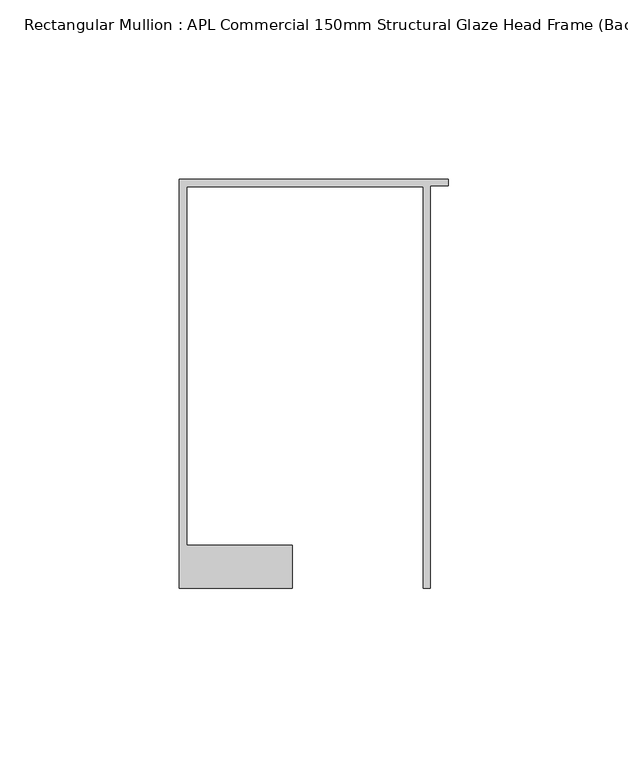
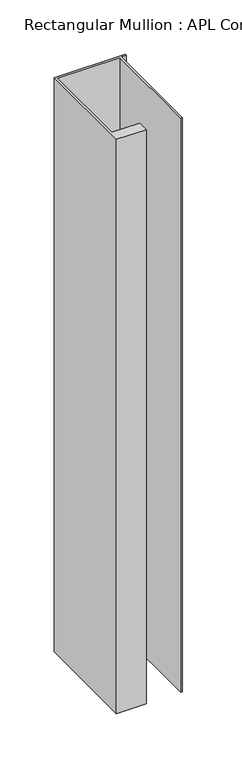
"""IFC4 building model written with IfcOpenShell, lengths in millimetres: member geometry, Rectangular Mullion : APL Commercial 150mm Structural Glaze Head Frame (Back)."""

import ifcopenshell
import ifcopenshell.guid

model = None  # the IFC model being written
_history = None  # IfcOwnerHistory: only IFC2X3 demands one
_inside = {}  # id of a spatial element -> (the spatial element, [elements in it])
_under = {}  # id of a project, library or spatial element -> (it, [spatial elements below it])
_declared = {}  # id of a project -> (the project, [libraries it declares])
_typed = {}  # id of a type object -> (the type object, [elements of that type])
_made_of = {}  # id of a material, layer set ... -> (it, [elements and type objects made of it])


def new_model(schema):
    """Start an empty IFC model of exactly this schema.

    Asked for "IFC4X3", IfcOpenShell would pick the latest addendum, in which some entities
    have other attributes; the version numbers below select the first issue.
    IFC2X3 requires an IfcOwnerHistory on every rooted entity: one is made here for all.
    """
    global model, _history
    if schema == "IFC4X3":
        model = ifcopenshell.file(schema_version=(4, 3, 0, 0))
    else:
        model = ifcopenshell.file(schema=schema)
    _inside.clear()
    _under.clear()
    _declared.clear()
    _typed.clear()
    _made_of.clear()
    _history = None
    if model.schema == "IFC2X3":
        org = make("IfcOrganization", Name="unknown")
        user = make(
            "IfcPersonAndOrganization",
            ThePerson=make("IfcPerson", FamilyName="unknown"),
            TheOrganization=org,
        )
        app = make(
            "IfcApplication",
            ApplicationDeveloper=org,
            Version="unknown",
            ApplicationFullName="unknown",
            ApplicationIdentifier="unknown",
        )
        _history = make(
            "IfcOwnerHistory",
            OwningUser=user,
            OwningApplication=app,
            ChangeAction="ADDED",
            CreationDate=0,
        )
    return model


def make(cls, **values):
    """One entity of the class cls with the attributes given. An attribute that is None is left unset."""
    return model.create_entity(
        cls, **{name: value for name, value in values.items() if value is not None}
    )


def rooted(cls, **values):
    """An entity with a GlobalId (a new one), such as an element, a storey or a relation."""
    return make(cls, GlobalId=ifcopenshell.guid.new(), OwnerHistory=_history, **values)


def si_unit(unit_type, name, prefix=None):
    """IfcSIUnit, for example si_unit("LENGTHUNIT", "METRE", prefix="MILLI")."""
    return make("IfcSIUnit", UnitType=unit_type, Prefix=prefix, Name=name)


def assignment(units):
    """IfcUnitAssignment: the units of a project."""
    return None if units is None else make("IfcUnitAssignment", Units=units)


def point(xyz):
    """IfcCartesianPoint."""
    return None if xyz is None else make("IfcCartesianPoint", Coordinates=xyz)


def direction(xyz):
    """IfcDirection."""
    return None if xyz is None else make("IfcDirection", DirectionRatios=xyz)


def frame(location, z_axis=None, x_axis=None):
    """IfcAxis2Placement3D, a coordinate frame: its origin and axes. An axis left out is left unset."""
    return make(
        "IfcAxis2Placement3D",
        Location=point(location),
        Axis=direction(z_axis),
        RefDirection=direction(x_axis),
    )


def origin():
    """The frame at (0, 0, 0) with its axes left unset."""
    return frame((0.0, 0.0, 0.0))


def place(relative_to, where):
    """IfcLocalPlacement: puts the frame where relative to a parent placement (None: the world)."""
    return make(
        "IfcLocalPlacement", PlacementRelTo=relative_to, RelativePlacement=where
    )


def context(
    kind, dimensions, precision=None, world=None, true_north=None, identifier=None
):
    """IfcGeometricRepresentationContext, for example the 3D "Model" context."""
    return make(
        "IfcGeometricRepresentationContext",
        ContextIdentifier=identifier,
        ContextType=kind,
        CoordinateSpaceDimension=dimensions,
        Precision=precision,
        WorldCoordinateSystem=world,
        TrueNorth=true_north,
    )


def project(units=None, contexts=None):
    """IfcProject with its units and contexts."""
    return rooted(
        "IfcProject",
        Name="project",
        RepresentationContexts=contexts,
        UnitsInContext=assignment(units),
    )


def spatial(cls, under=None, at=None, **own):
    """A site, building, storey or space (cls), placed at a placement, below another one or the project."""
    s = rooted(cls, ObjectPlacement=at, **own)
    if under is not None:
        _under.setdefault(under.id(), (under, []))[1].append(s)
    return s


def polyline(points):
    """IfcPolyline through the points."""
    return make("IfcPolyline", Points=[point(p) for p in points])


def outline(outer, holes=None, kind="AREA"):
    """IfcArbitraryClosedProfileDef: a profile drawn as a closed curve; with holes, ...WithVoids."""
    if holes is None:
        return make("IfcArbitraryClosedProfileDef", ProfileType=kind, OuterCurve=outer)
    return make(
        "IfcArbitraryProfileDefWithVoids",
        ProfileType=kind,
        OuterCurve=outer,
        InnerCurves=holes,
    )


def extrude(swept, where, along, depth):
    """IfcExtrudedAreaSolid: the profile swept, set in the frame where, extruded along a direction by depth."""
    return make(
        "IfcExtrudedAreaSolid",
        SweptArea=swept,
        Position=where,
        ExtrudedDirection=direction(along),
        Depth=depth,
    )


def shape(context_of_items, identifier, shape_type, items):
    """IfcShapeRepresentation: the items that make up one representation, for example the "Body"."""
    return make(
        "IfcShapeRepresentation",
        ContextOfItems=context_of_items,
        RepresentationIdentifier=identifier,
        RepresentationType=shape_type,
        Items=items,
    )


def source(mapping_origin, context_of_items, identifier, shape_type, items):
    """IfcRepresentationMap: a shape defined once, which mapped items show again and again."""
    return make(
        "IfcRepresentationMap",
        MappingOrigin=mapping_origin,
        MappedRepresentation=shape(context_of_items, identifier, shape_type, items),
    )


def transform(
    local_origin,
    x_axis=None,
    y_axis=None,
    z_axis=None,
    scale=None,
    scale2=None,
    scale3=None,
    uniform=True,
):
    """IfcCartesianTransformationOperator3D, or its non-uniform kind. x_axis, y_axis, z_axis: its Axis1, 2, 3."""
    if uniform:
        return make(
            "IfcCartesianTransformationOperator3D",
            Axis1=direction(x_axis),
            Axis2=direction(y_axis),
            LocalOrigin=point(local_origin),
            Scale=scale,
            Axis3=direction(z_axis),
        )
    return make(
        "IfcCartesianTransformationOperator3DnonUniform",
        Axis1=direction(x_axis),
        Axis2=direction(y_axis),
        LocalOrigin=point(local_origin),
        Scale=scale,
        Axis3=direction(z_axis),
        Scale2=scale2,
        Scale3=scale3,
    )


def mapped(mapping_source, mapping_target):
    """IfcMappedItem: shows the shape of a source again, moved by a transform."""
    return make(
        "IfcMappedItem", MappingSource=mapping_source, MappingTarget=mapping_target
    )


def made_of(thing, what):
    """Note that an element or type object is made of a material, layer set ...; save() writes the relation."""
    if what is not None:
        _made_of.setdefault(what.id(), (what, []))[1].append(thing)
    return thing


def element(
    cls,
    number,
    at=None,
    inside=None,
    cuts=None,
    type_object=None,
    material=None,
    context=None,
    identifier="Body",
    shape_type=None,
    held_by="IfcProductDefinitionShape",
    body=None,
    shapes=None,
    **own,
):
    """One element of the class cls, such as IfcWall. Its Tag is "e" and its number.

    at: its placement. inside: the storey or other place that contains it. cuts: it is an
    opening in that element (IfcRelVoidsElement). A single representation is given by context,
    identifier, shape_type and body (its items); several are given by shapes. held_by: the class
    of the entity that holds the representations. save() writes the other relations.
    """
    e = rooted(cls, Tag="e%d" % number, ObjectPlacement=at, **own)
    if body is not None:
        shapes = [shape(context, identifier, shape_type, body)]
    if shapes is not None:
        e.Representation = make(held_by, Representations=shapes)
    if inside is not None:
        _inside.setdefault(inside.id(), (inside, []))[1].append(e)
    if cuts is not None:
        rooted(
            "IfcRelVoidsElement", RelatingBuildingElement=cuts, RelatedOpeningElement=e
        )
    if type_object is not None:
        _typed.setdefault(type_object.id(), (type_object, []))[1].append(e)
    return made_of(e, material)


def aggregate(whole, parts):
    """IfcRelAggregates: a whole, such as a stair, and the parts it consists of."""
    return rooted("IfcRelAggregates", RelatingObject=whole, RelatedObjects=parts)


def save(model, path):
    """Write the relations noted so far, then the file.

    IfcRelAggregates (storeys below a building ...), IfcRelContainedInSpatialStructure (elements
    in a storey), IfcRelDefinesByType, IfcRelAssociatesMaterial and IfcRelDeclares: one each for
    every whole, place, type object, material and project.
    """
    for whole, parts in _under.values():
        aggregate(whole, parts)
    for where, things in _inside.values():
        rooted(
            "IfcRelContainedInSpatialStructure",
            RelatedElements=things,
            RelatingStructure=where,
        )
    for kind, things in _typed.values():
        rooted("IfcRelDefinesByType", RelatedObjects=things, RelatingType=kind)
    for what, things in _made_of.values():
        rooted("IfcRelAssociatesMaterial", RelatedObjects=things, RelatingMaterial=what)
    for by, libraries in _declared.values():
        rooted("IfcRelDeclares", RelatingContext=by, RelatedDefinitions=libraries)
    model.write(path)


def rectangular_mullion_apl_commercial_150mm_structural_glaze_a8df5ee2(model_context):
    return source(origin(), model_context, "Body", "SweptSolid", [
        extrude(outline(polyline([(-75.0, 128.9993063), (0.0, 128.9993063), (0.0, 127.1993063), (-5.0, 127.1993063), (-5.0, 14.9998342), (-7.0, 14.9998342), (-7.0, 126.9993063), (-73.0, 126.9993063), (-73.0, 26.9997514), (-43.5000151, 26.9997514), (-43.5000151, 14.9998342), (-75.0, 14.9998342), (-75.0, 128.9993063)])), frame((0.0, 0.0, -644.0249631), z_axis=(0.0, 0.0, 1.0), x_axis=(1.0, 0.0, 0.0)), (0.0, 0.0, 1.0), 644.0249631),
    ])


if __name__ == "__main__":
    model = new_model("IFC4")
    model_context = context("Model", 3, world=origin())
    ifc_project = project(units=[si_unit("LENGTHUNIT", "METRE", prefix="MILLI")], contexts=[model_context])
    site = spatial("IfcSite", under=ifc_project)
    building = spatial("IfcBuilding", under=site)
    placement = place(None, origin())
    rectangular_mullion_apl_commercial_150mm_structural_glaze_shape = rectangular_mullion_apl_commercial_150mm_structural_glaze_a8df5ee2(model_context)
    element("IfcMember", 1, ObjectType="Rectangular Mullion : APL Commercial 150mm Structural Glaze Head Frame (Back)", at=placement, inside=building, context=model_context, shape_type="MappedRepresentation", body=[
        mapped(rectangular_mullion_apl_commercial_150mm_structural_glaze_shape, transform((0.0, 0.0, 0.0), x_axis=(1.0, 0.0, 0.0), y_axis=(0.0, 1.0, 0.0), z_axis=(0.0, 0.0, 1.0))),
    ])
    save(model, "model.ifc")
